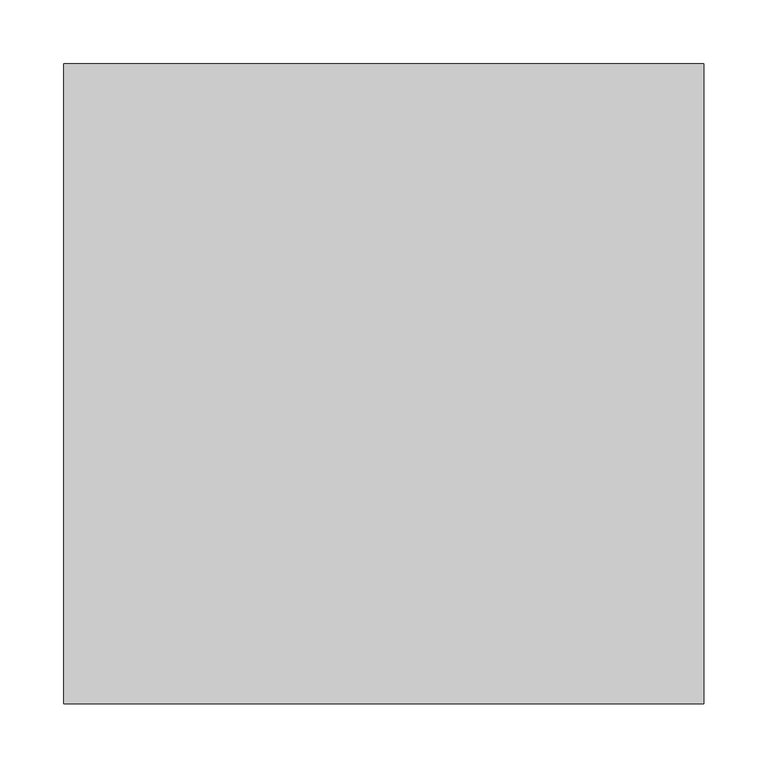
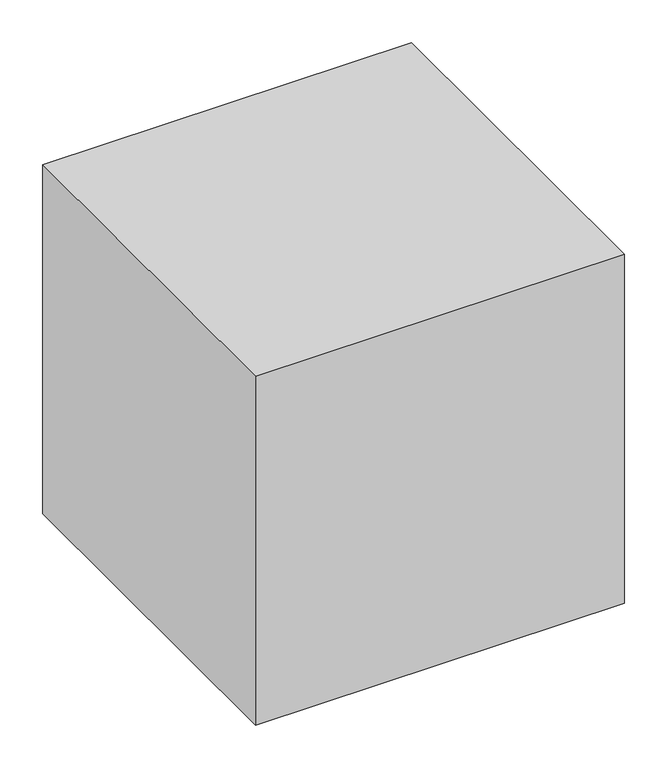
"""IFC4 building model written with IfcOpenShell, lengths in millimetres: proxy geometry."""

from ifc_helpers import new_model, si_unit, origin, origin_with_axes, place, context, project, spatial, polyline, outline, extrude, source, transform, mapped, element, save


def generic_models_695b191d(model_context):
    return source(origin(), model_context, "Body", "SweptSolid", [
        extrude(outline(polyline([(500.0, 500.0), (500.0, 0.0), (0.0, 0.0), (0.0, 500.0), (500.0, 500.0)])), origin_with_axes(), (0.0, 0.0, 1.0), 500.0),
    ])


if __name__ == "__main__":
    model = new_model("IFC4")
    model_context = context("Model", 3, world=origin())
    ifc_project = project(units=[si_unit("LENGTHUNIT", "METRE", prefix="MILLI")], contexts=[model_context])
    site = spatial("IfcSite", under=ifc_project)
    building = spatial("IfcBuilding", under=site)
    placement = place(None, origin())
    generic_models_shape = generic_models_695b191d(model_context)
    element("IfcBuildingElementProxy", 1, Name="Generic Models", at=placement, inside=building, context=model_context, shape_type="MappedRepresentation", body=[
        mapped(generic_models_shape, transform((0.0, 0.0, 0.0), x_axis=(1.0, 0.0, 0.0), y_axis=(0.0, 1.0, 0.0), z_axis=(0.0, 0.0, 1.0))),
    ])
    save(model, "model.ifc")
